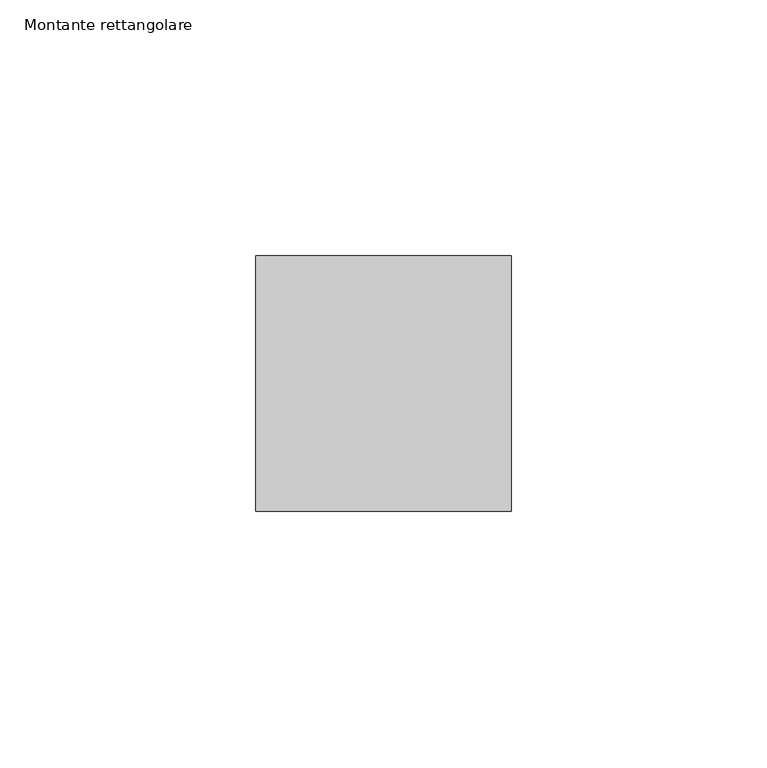
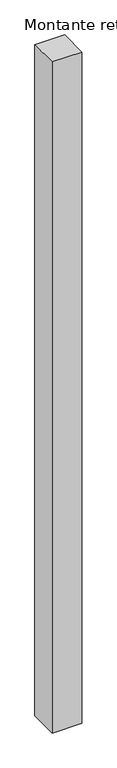
"""IFC4 building model written with IfcOpenShell, lengths in millimetres: member geometry, Montante rettangolare."""

from ifc_helpers import new_model, si_unit, frame, origin, place, context, project, spatial, polyline, outline, extrude, source, transform, mapped, element, save


def montante_rettangolare_2e69522f(model_context):
    return source(origin(), model_context, "Body", "SweptSolid", [
        extrude(outline(polyline([(0.0, 25.0), (0.0, -25.0), (-50.0, -25.0), (-50.0, 25.0), (0.0, 25.0)])), frame((0.0, 0.0, -1190.0), z_axis=(0.0, 0.0, 1.0), x_axis=(1.0, 0.0, 0.0)), (0.0, 0.0, 1.0), 1190.0),
    ])


if __name__ == "__main__":
    model = new_model("IFC4")
    model_context = context("Model", 3, world=origin())
    ifc_project = project(units=[si_unit("LENGTHUNIT", "METRE", prefix="MILLI")], contexts=[model_context])
    site = spatial("IfcSite", under=ifc_project)
    building = spatial("IfcBuilding", under=site)
    placement = place(None, origin())
    montante_rettangolare_shape = montante_rettangolare_2e69522f(model_context)
    element("IfcMember", 1, ObjectType="Montante rettangolare", at=placement, inside=building, context=model_context, shape_type="MappedRepresentation", body=[
        mapped(montante_rettangolare_shape, transform((0.0, 0.0, 0.0), x_axis=(1.0, 0.0, 0.0), y_axis=(0.0, 1.0, 0.0), z_axis=(0.0, 0.0, 1.0))),
    ])
    save(model, "model.ifc")
